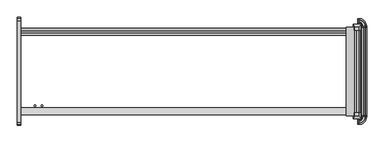
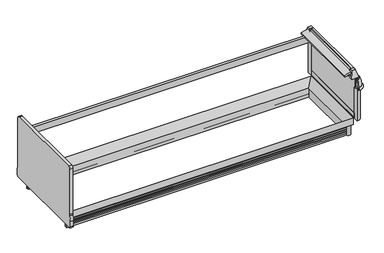
"""IFC4 building model written with IfcOpenShell, lengths in millimetres: proxy geometry."""

from ifc_helpers import new_model, si_unit, point, frame, frame_2d, origin, origin_with_axes, place, context, project, spatial, polyline, circle_curve, ellipse_curve, trimmed, segment, composite_curve, outline, extrude, faceted_brep, source, transform, mapped, element, save
from ifc_brep_helpers import plane_surface, cylinder_surface, revolved_surface, advanced_brep


def mechanical_equipment_eb84e4c2(model_context):
    return source(origin(), model_context, "Body", "SolidModel", [
        faceted_brep([(3666.4225341, -1407.9898987, 887.830185), (3666.4225341, -1369.8898987, 887.830185), (3615.6225341, -1369.8898987, 887.830185), (3615.6225341, -1407.9898987, 887.830185), (3692.7736504, -1434.8571273, 789.5616491), (3605.0530658, -1434.8571273, 789.5616491), (3605.0530658, -1361.5806673, 789.5616491), (3692.7736504, -1361.5806673, 789.5616491)], [[[0, 1, 2, 3]], [[4, 5, 6, 7]], [[5, 4, 0, 3]], [[6, 5, 3, 2]], [[7, 6, 2, 1]], [[4, 7, 1, 0]]]),
        advanced_brep(
        [(3736.2448888, -441.4213458, 685.0123617), (3734.5991151, -441.4213458, 652.3000491), (3736.2448888, -427.271097, 685.0123617), (3734.5991151, -427.271097, 652.3000491), (3672.2679207, -364.9399026, 652.3000491), (3672.2679207, -363.2941289, 685.0123617), (3657.6, -363.2941289, 685.0123617), (3657.6, -364.9399026, 652.3000491)],
        [
            (0, 1),
            (1, 0, circle_curve(frame((3734.876553, -441.4213458, 668.6836472), z_axis=(0.0, -1.0, 0.0), x_axis=(-1.0, 0.0, 0.0)), 16.385947)),
            (0, 2),
            (2, 3),
            (3, 1),
            (3, 2, circle_curve(frame((3734.876553, -427.271097, 668.6836472), z_axis=(0.0, -1.0, 0.0), x_axis=(-1.0, 0.0, 0.0)), 16.385947)),
            (4, 3, circle_curve(frame((3672.2679207, -427.271097, 652.3000491), z_axis=(0.0, 0.0, -1.0), x_axis=(1.0, 0.0, 0.0)), 62.3311944)),
            (2, 5, circle_curve(frame((3672.2679207, -427.271097, 685.0123617), z_axis=(0.0, 0.0, 1.0), x_axis=(1.0, 0.0, 0.0)), 63.9769681)),
            (5, 4),
            (4, 5, circle_curve(frame((3672.2679207, -364.6624647, 668.6836472), z_axis=(1.0, 0.0, 0.0), x_axis=(0.0, -1.0, 0.0)), 16.385947)),
            (6, 7, circle_curve(frame((3657.6, -364.6624647, 668.6836472), z_axis=(-1.0, 0.0, 0.0), x_axis=(0.0, -1.0, 0.0)), 16.385947)),
            (7, 6),
            (5, 6),
            (7, 4),
        ],
        [
            plane_surface(frame((3751.2625, -441.4213458, 0.0), z_axis=(0.0, -1.0, 0.0), x_axis=(0.0, 0.0, 1.0))),
            plane_surface(frame((3736.2448888, -441.4213458, 685.0123617), z_axis=(-0.9987368228727785, 0.0, 0.05024697640642828), x_axis=(0.0, 1.0, 0.0))),
            cylinder_surface(frame((3734.876553, -441.4213458, 668.6836472), z_axis=(0.0, -1.0, 0.0), x_axis=(-1.0, 0.0, 0.0)), 16.385947),
            revolved_surface(polyline([(3736.2448888, -427.271097, 685.0123617), (3734.5991151, -427.271097, 652.3000491)]), (3672.2679207, -427.271097, 0.0), (0.0, 0.0, 1.0)),
            revolved_surface(trimmed(ellipse_curve(frame((3734.876553, -427.271097, 668.6836472), z_axis=(0.0, -1.0, 0.0), x_axis=(-1.0, 0.0, 0.0)), 16.385947, 16.385947), [point((3734.5991151, -427.271097, 652.3000491))], [point((3736.2448888, -427.271097, 685.0123617))], True, "CARTESIAN"), (3672.2679207, -427.271097, 0.0), (0.0, 0.0, 1.0)),
            plane_surface(frame((3657.6, -348.2765176, 0.0), z_axis=(-1.0, 0.0, 0.0), x_axis=(0.0, 0.0, 1.0))),
            plane_surface(frame((3672.2679207, -363.2941289, 685.0123617), z_axis=(0.0, -0.9987368228727785, 0.05024697640642828), x_axis=(-1.0, 0.0, 0.0))),
            cylinder_surface(frame((3672.2679207, -364.6624647, 668.6836472), z_axis=(1.0, 0.0, 0.0), x_axis=(0.0, -1.0, 0.0)), 16.385947),
        ],
        [
            (0, [[1, 2]]),
            (1, [[-1, 3, 4, 5]]),
            (2, [[-2, -5, 6, -3]]),
            (3, [[7, -4, 8, 9]]),
            (4, [[-8, -6, -7, 10]]),
            (5, [[11, 12]]),
            (6, [[-9, 13, -12, 14]]),
            (7, [[-10, -14, -11, -13]]),
        ],
    ),
        extrude(outline(composite_curve([segment(polyline([(3657.6, -441.4213458), (3657.6, -380.4372292)]), True, "CONTINUOUS"), segment(trimmed(circle_curve(frame_2d((3657.6, -441.4213458)), 60.9841166), [point((3657.6, -380.4372292))], [point((3718.5841166, -441.4213458))], False, "CARTESIAN"), True, "CONTINUOUS"), segment(polyline([(3718.5841166, -441.4213458), (3657.6, -441.4213458)]), True, "CONTINUOUS")], self_intersect=False)), frame((0.0, 0.0, 226.1000374), z_axis=(0.0, 0.0, 1.0), x_axis=(1.0, 0.0, 0.0)), (0.0, 0.0, 1.0), 424.6252116),
        advanced_brep(
        [(3698.6624683, -441.4213458, 789.5616491), (3685.894269, -441.4213458, 789.5616491), (3697.5930904, -441.4213458, 752.5993877), (3697.5930904, -441.4213458, 650.7252491), (3733.0243151, -441.4213458, 650.7252491), (3734.5991151, -441.4213458, 652.3000491), (3736.2448888, -441.4213458, 685.0123617), (3713.0738542, -441.4213458, 780.3445453), (3698.6624683, -427.271097, 789.5616491), (3672.2679207, -400.8765493, 789.5616491), (3657.6, -400.8765493, 789.5616491), (3657.6, -413.6447486, 789.5616491), (3672.2679207, -413.6447486, 789.5616491), (3685.894269, -427.271097, 789.5616491), (3697.5930904, -427.271097, 752.5993877), (3697.5930904, -427.271097, 650.7252491), (3672.2679207, -401.9459272, 650.7252491), (3657.6, -401.9459272, 650.7252491), (3657.6, -366.5147026, 650.7252491), (3672.2679207, -366.5147026, 650.7252491), (3733.0243151, -427.271097, 650.7252491), (3734.5991151, -427.271097, 652.3000491), (3736.2448888, -427.271097, 685.0123617), (3713.0738542, -427.271097, 780.3445453), (3657.6, -386.4651634, 780.3445453), (3657.6, -363.2941289, 685.0123617), (3657.6, -364.9399026, 652.3000491), (3657.6, -401.9459272, 752.5993877), (3672.2679207, -401.9459272, 752.5993877), (3672.2679207, -364.9399026, 652.3000491), (3672.2679207, -363.2941289, 685.0123617), (3672.2679207, -386.4651634, 780.3445453)],
        [
            (0, 1),
            (1, 2),
            (2, 3),
            (3, 4),
            (4, 5),
            (5, 6),
            (6, 7, circle_curve(frame((3482.4916802, -441.4213458, 673.8182058), z_axis=(0.0, -1.0, 0.0), x_axis=(-1.0, 0.0, 0.0)), 254.0)),
            (7, 0, circle_curve(frame((3698.6624683, -441.4213458, 773.6866491), z_axis=(0.0, -1.0, 0.0), x_axis=(-1.0, 0.0, 0.0)), 15.875)),
            (0, 8),
            (8, 9, circle_curve(frame((3672.2679207, -427.271097, 789.5616491), z_axis=(0.0, 0.0, 1.0), x_axis=(1.0, 0.0, 0.0)), 26.3945477)),
            (9, 10),
            (10, 11),
            (11, 12),
            (12, 13, circle_curve(frame((3672.2679207, -427.271097, 789.5616491), z_axis=(0.0, 0.0, -1.0), x_axis=(1.0, 0.0, 0.0)), 13.6263483)),
            (13, 1),
            (13, 14),
            (14, 2),
            (14, 15),
            (15, 3),
            (15, 16, circle_curve(frame((3672.2679207, -427.271097, 650.7252491), z_axis=(0.0, 0.0, 1.0), x_axis=(1.0, 0.0, 0.0)), 25.3251698)),
            (16, 17),
            (17, 18),
            (18, 19),
            (19, 20, circle_curve(frame((3672.2679207, -427.271097, 650.7252491), z_axis=(0.0, 0.0, -1.0), x_axis=(1.0, 0.0, 0.0)), 60.7563944)),
            (20, 4),
            (20, 21),
            (21, 5),
            (21, 22),
            (22, 6),
            (22, 23, circle_curve(frame((3482.4916802, -427.271097, 673.8182058), z_axis=(0.0, -1.0, 0.0), x_axis=(-1.0, 0.0, 0.0)), 254.0)),
            (23, 7),
            (23, 8, circle_curve(frame((3698.6624683, -427.271097, 773.6866491), z_axis=(0.0, -1.0, 0.0), x_axis=(-1.0, 0.0, 0.0)), 15.875)),
            (10, 24, circle_curve(frame((3657.6, -400.8765493, 773.6866491), z_axis=(-1.0, 0.0, 0.0), x_axis=(0.0, -1.0, 0.0)), 15.875)),
            (24, 25, circle_curve(frame((3657.6, -617.0473375, 673.8182058), z_axis=(-1.0, 0.0, 0.0), x_axis=(0.0, -1.0, 0.0)), 254.0)),
            (25, 26),
            (26, 18),
            (17, 27),
            (27, 11),
            (28, 14, circle_curve(frame((3672.2679207, -427.271097, 752.5993877), z_axis=(0.0, 0.0, -1.0), x_axis=(1.0, 0.0, 0.0)), 25.3251698)),
            (12, 28),
            (28, 16),
            (29, 21, circle_curve(frame((3672.2679207, -427.271097, 652.3000491), z_axis=(0.0, 0.0, -1.0), x_axis=(1.0, 0.0, 0.0)), 62.3311944)),
            (19, 29),
            (30, 22, circle_curve(frame((3672.2679207, -427.271097, 685.0123617), z_axis=(0.0, 0.0, -1.0), x_axis=(1.0, 0.0, 0.0)), 63.9769681)),
            (29, 30),
            (31, 23, circle_curve(frame((3672.2679207, -427.271097, 780.3445453), z_axis=(0.0, 0.0, -1.0), x_axis=(1.0, 0.0, 0.0)), 40.8059336)),
            (30, 31, circle_curve(frame((3672.2679207, -617.0473375, 673.8182058), z_axis=(1.0, 0.0, 0.0), x_axis=(0.0, -1.0, 0.0)), 254.0)),
            (31, 9, circle_curve(frame((3672.2679207, -400.8765493, 773.6866491), z_axis=(1.0, 0.0, 0.0), x_axis=(0.0, -1.0, 0.0)), 15.875)),
            (27, 28),
            (26, 29),
            (25, 30),
            (24, 31),
        ],
        [
            plane_surface(frame((3751.2625, -441.4213458, 0.0), z_axis=(0.0, -1.0, 0.0), x_axis=(0.0, 0.0, 1.0))),
            plane_surface(frame((3698.6624683, -441.4213458, 789.5616491), z_axis=(0.0, 0.0, 1.0), x_axis=(0.0, 1.0, 0.0))),
            plane_surface(frame((3685.894269, -441.4213458, 789.5616491), z_axis=(-0.9533859746647335, 0.0, -0.3017535141677331), x_axis=(0.0, 1.0, 0.0))),
            plane_surface(frame((3697.5930904, -441.4213458, 752.5993877), z_axis=(-1.0, 0.0, 0.0), x_axis=(0.0, 1.0, 0.0))),
            plane_surface(frame((3719.1051151, -441.4213458, 650.7252491), z_axis=(0.0, 0.0, -1.0), x_axis=(0.0, 1.0, 0.0))),
            plane_surface(frame((3733.0243151, -441.4213458, 650.7252491), z_axis=(0.7071067811865779, 0.0, -0.7071067811865172), x_axis=(0.0, 1.0, 0.0))),
            plane_surface(frame((3734.5991151, -441.4213458, 652.3000491), z_axis=(0.9987368228727792, 0.0, -0.050246976406415636), x_axis=(0.0, 1.0, 0.0))),
            cylinder_surface(frame((3482.4916802, -441.4213458, 673.8182058), z_axis=(0.0, -1.0, 0.0), x_axis=(-1.0, 0.0, 0.0)), 254.0),
            cylinder_surface(frame((3698.6624683, -441.4213458, 773.6866491), z_axis=(0.0, -1.0, 0.0), x_axis=(-1.0, 0.0, 0.0)), 15.875),
            plane_surface(frame((3657.6, -348.2765176, 0.0), z_axis=(-1.0, 0.0, 0.0), x_axis=(0.0, 0.0, 1.0))),
            revolved_surface(polyline([(3685.894269, -427.271097, 789.5616491), (3697.5930904, -427.271097, 752.5993877)]), (3672.2679207, -427.271097, 0.0), (0.0, 0.0, 1.0)),
            revolved_surface(polyline([(3697.5930905, -427.271097, 752.5993877), (3697.5930905, -427.271097, 650.7252491)]), (3672.2679207, -427.271097, 0.0), (0.0, 0.0, 1.0)),
            revolved_surface(polyline([(3733.0243151, -427.271097, 650.7252491), (3734.5991151, -427.271097, 652.3000491)]), (3672.2679207, -427.271097, 0.0), (0.0, 0.0, 1.0)),
            revolved_surface(polyline([(3734.5991151, -427.271097, 652.3000491), (3736.2448888, -427.271097, 685.0123617)]), (3672.2679207, -427.271097, 0.0), (0.0, 0.0, 1.0)),
            revolved_surface(trimmed(ellipse_curve(frame((3482.4916802, -427.271097, 673.8182058), z_axis=(0.0, -1.0, 0.0), x_axis=(-1.0, 0.0, 0.0)), 254.0, 254.0), [point((3736.2448888, -427.271097, 685.0123617))], [point((3713.0738542, -427.271097, 780.3445453))], True, "CARTESIAN"), (3672.2679207, -427.271097, 0.0), (0.0, 0.0, 1.0)),
            revolved_surface(trimmed(ellipse_curve(frame((3698.6624683, -427.271097, 773.6866491), z_axis=(0.0, -1.0, 0.0), x_axis=(-1.0, 0.0, 0.0)), 15.875, 15.875), [point((3713.0738542, -427.271097, 780.3445453))], [point((3698.6624683, -427.271097, 789.5616491))], True, "CARTESIAN"), (3672.2679207, -427.271097, 0.0), (0.0, 0.0, 1.0)),
            plane_surface(frame((3672.2679207, -413.6447486, 789.5616491), z_axis=(0.0, -0.9533859746647335, -0.3017535141677331), x_axis=(-1.0, 0.0, 0.0))),
            plane_surface(frame((3672.2679207, -401.9459272, 752.5993877), z_axis=(0.0, -1.0, 0.0), x_axis=(-1.0, 0.0, 0.0))),
            plane_surface(frame((3672.2679207, -366.5147026, 650.7252491), z_axis=(0.0, 0.7071067811865779, -0.7071067811865172), x_axis=(-1.0, 0.0, 0.0))),
            plane_surface(frame((3672.2679207, -364.9399026, 652.3000491), z_axis=(0.0, 0.9987368228727792, -0.050246976406415636), x_axis=(-1.0, 0.0, 0.0))),
            cylinder_surface(frame((3672.2679207, -617.0473375, 673.8182058), z_axis=(1.0, 0.0, 0.0), x_axis=(0.0, -1.0, 0.0)), 254.0),
            cylinder_surface(frame((3672.2679207, -400.8765493, 773.6866491), z_axis=(1.0, 0.0, 0.0), x_axis=(0.0, -1.0, 0.0)), 15.875),
        ],
        [
            (0, [[1, 2, 3, 4, 5, 6, 7, 8]]),
            (1, [[-1, 9, 10, 11, 12, 13, 14, 15]]),
            (2, [[-2, -15, 16, 17]]),
            (3, [[-3, -17, 18, 19]]),
            (4, [[-19, 20, 21, 22, 23, 24, 25, -4]]),
            (5, [[-5, -25, 26, 27]]),
            (6, [[-6, -27, 28, 29]]),
            (7, [[-7, -29, 30, 31]]),
            (8, [[-8, -31, 32, -9]]),
            (9, [[33, 34, 35, 36, -22, 37, 38, -12]]),
            (10, [[39, -16, -14, 40]]),
            (11, [[-20, -18, -39, 41]]),
            (12, [[42, -26, -24, 43]]),
            (13, [[44, -28, -42, 45]]),
            (14, [[46, -30, -44, 47]]),
            (15, [[-10, -32, -46, 48]]),
            (16, [[-40, -13, -38, 49]]),
            (17, [[-41, -49, -37, -21]]),
            (18, [[-43, -23, -36, 50]]),
            (19, [[-45, -50, -35, 51]]),
            (20, [[-47, -51, -34, 52]]),
            (21, [[-48, -52, -33, -11]]),
        ],
    ),
        faceted_brep([(3666.4225341, -433.0243559, 887.830185), (3615.6225341, -433.0243559, 887.830185), (3615.6225341, -471.1243559, 887.830185), (3666.4225341, -471.1243559, 887.830185), (3692.7736504, -406.1571273, 789.5616491), (3692.7736504, -479.4335873, 789.5616491), (3605.0530658, -479.4335873, 789.5616491), (3605.0530658, -406.1571273, 789.5616491)], [[[0, 1, 2, 3]], [[4, 5, 6, 7]], [[4, 7, 1, 0]], [[7, 6, 2, 1]], [[6, 5, 3, 2]], [[5, 4, 0, 3]]]),
        extrude(outline(composite_curve([segment(trimmed(circle_curve(frame_2d((3605.5826477, -1346.327275)), 30.3864225), [point((3621.4253577, -1320.3976931))], [point((3579.6530658, -1362.169985))], False, "CARTESIAN"), True, "CONTINUOUS"), segment(polyline([(3579.6530658, -1362.169985), (3621.4253577, -1320.3976931)]), True, "CONTINUOUS")], self_intersect=False)), origin_with_axes(), (0.0, 0.0, 1.0), 134.9377392),
        extrude(outline(composite_curve([segment(polyline([(3621.4253577, -520.6165615), (3579.6530658, -478.8442696)]), True, "CONTINUOUS"), segment(trimmed(circle_curve(frame_2d((3605.5826477, -494.6869796)), 30.3864225), [point((3579.6530658, -478.8442696))], [point((3621.4253577, -520.6165615))], False, "CARTESIAN"), True, "CONTINUOUS")], self_intersect=False)), origin_with_axes(), (0.0, 0.0, 1.0), 134.9377392),
        faceted_brep([(0.0, -1315.4009706, 134.9377392), (0.0, -1391.2014814, 134.9377392), (0.0, -1391.2014814, 226.1000374), (3574.6563433, -1315.4009706, 134.9377392), (3574.6563433, -525.6132839, 134.9377392), (0.0, -525.6132839, 134.9377392), (0.0, -449.8127732, 134.9377392), (3650.4568541, -449.8127732, 134.9377392), (3650.4568541, -1391.2014814, 134.9377392), (3650.4568541, -1391.2014814, 226.1000374), (3650.4568541, -449.8127732, 226.1000374), (0.0, -449.8127732, 226.1000374)], [[[0, 1, 2]], [[1, 0, 3, 4, 5, 6, 7, 8]], [[2, 1, 8, 9]], [[0, 2, 9, 3]], [[9, 8, 7, 10]], [[3, 9, 10, 4]], [[5, 11, 6]], [[10, 7, 6, 11]], [[4, 10, 11, 5]]]),
        advanced_brep(
        [(0.0, -1362.169985, 0.0), (0.0, -1362.169985, 22.738034), (0.0, -1348.552182, 32.3453469), (0.0, -1345.063085, 43.510607), (0.0, -1355.7002802, 41.3527842), (0.0, -1357.6941802, 41.3527842), (0.0, -1357.6941802, 54.0527842), (0.0, -1348.552182, 63.31753), (0.0, -1345.063085, 74.4827901), (0.0, -1355.7002802, 72.3249673), (0.0, -1357.6941802, 72.3249673), (0.0, -1357.6941802, 85.0249673), (0.0, -1348.552182, 94.2897131), (0.0, -1345.063085, 105.3285212), (0.0, -1355.7002802, 103.2973373), (0.0, -1357.6941802, 103.2973373), (0.0, -1357.6941802, 115.9973373), (0.0, -1345.063085, 128.6971504), (0.0, -1345.063085, 134.9377392), (0.0, -1329.6202359, 134.9377392), (0.0, -1329.6202359, 0.0), (3621.4253577, -1362.169985, 0.0), (3621.4253577, -1362.169985, 22.738034), (3607.8075547, -1348.552182, 32.3453469), (3604.3184577, -1345.063085, 43.510607), (3614.9556529, -1355.7002802, 41.3527842), (3614.9556529, -485.3139744, 41.3527842), (0.0, -485.3139744, 41.3527842), (0.0, -483.3200744, 41.3527842), (3616.9495529, -483.3200744, 41.3527842), (3616.9495529, -1357.6941802, 41.3527842), (3616.9495529, -1357.6941802, 54.0527842), (3607.8075547, -1348.552182, 63.31753), (3604.3184577, -1345.063085, 74.4827901), (3614.9556529, -1355.7002802, 72.3249673), (3614.9556529, -485.3139744, 72.3249673), (0.0, -485.3139744, 72.3249673), (0.0, -483.3200744, 72.3249673), (3616.9495529, -483.3200744, 72.3249673), (3616.9495529, -1357.6941802, 72.3249673), (3616.9495529, -1357.6941802, 85.0249673), (3607.8075547, -1348.552182, 94.2897131), (3604.3184577, -1345.063085, 105.3285212), (3614.9556529, -1355.7002802, 103.2973373), (3614.9556529, -485.3139744, 103.2973373), (0.0, -485.3139744, 103.2973373), (0.0, -483.3200744, 103.2973373), (3616.9495529, -483.3200744, 103.2973373), (3616.9495529, -1357.6941802, 103.2973373), (3616.9495529, -1357.6941802, 115.9973373), (3604.3184577, -1345.063085, 128.6971504), (3604.3184577, -1345.063085, 134.9377392), (3604.3184577, -495.9511696, 134.9377392), (0.0, -495.9511696, 134.9377392), (0.0, -511.3940187, 134.9377392), (3588.8756086, -511.3940187, 134.9377392), (3588.8756086, -1329.6202359, 134.9377392), (3588.8756086, -1329.6202359, 0.0), (3588.8756086, -511.3940187, 0.0), (0.0, -511.3940187, 0.0), (0.0, -478.8442696, 0.0), (3621.4253577, -478.8442696, 0.0), (3621.4253577, -478.8442696, 22.738034), (3607.8075547, -492.4620726, 32.3453469), (3604.3184577, -495.9511696, 43.510607), (3616.9495529, -483.3200744, 54.0527842), (3607.8075547, -492.4620726, 63.31753), (3604.3184577, -495.9511696, 74.4827901), (3616.9495529, -483.3200744, 85.0249673), (3607.8075547, -492.4620726, 94.2897131), (3604.3184577, -495.9511696, 105.3285212), (3616.9495529, -483.3200744, 115.9973373), (3604.3184577, -495.9511696, 128.6971504), (0.0, -495.9511696, 128.6971504), (0.0, -483.3200744, 115.9973373), (0.0, -495.9511696, 105.3285212), (0.0, -492.4620726, 94.2897131), (0.0, -483.3200744, 85.0249673), (0.0, -495.9511696, 74.4827901), (0.0, -492.4620726, 63.31753), (0.0, -483.3200744, 54.0527842), (0.0, -495.9511696, 43.510607), (0.0, -492.4620726, 32.3453469), (0.0, -478.8442696, 22.738034)],
        [
            (0, 1),
            (1, 2, circle_curve(frame((0.0, -1361.6341614, 36.4334108), z_axis=(1.0, 0.0, 0.0), x_axis=(0.0, 1.0, 0.0)), 13.7058546)),
            (2, 3),
            (3, 4),
            (4, 5),
            (5, 6),
            (6, 7, circle_curve(frame((0.0, -1362.112048, 67.5549314), z_axis=(1.0, 0.0, 0.0), x_axis=(0.0, 1.0, 0.0)), 14.2065314)),
            (7, 8),
            (8, 9),
            (9, 10),
            (10, 11),
            (11, 12, circle_curve(frame((0.0, -1362.1844233, 98.598531), z_axis=(1.0, 0.0, 0.0), x_axis=(0.0, 1.0, 0.0)), 14.2969897)),
            (12, 13),
            (13, 14),
            (14, 15),
            (15, 16),
            (16, 17, circle_curve(frame((0.0, -1357.763085, 128.6971504), z_axis=(1.0, 0.0, 0.0), x_axis=(0.0, 1.0, 0.0)), 12.7)),
            (17, 18),
            (18, 19),
            (19, 20),
            (20, 0),
            (0, 21),
            (21, 22),
            (22, 1),
            (22, 23, ellipse_curve(frame((3620.8895341, -1361.6341614, 36.4334108), z_axis=(0.7071067811865475, 0.7071067811865475, 0.0), x_axis=(0.7071067811865476, -0.7071067811865474, 0.0)), 19.3830055, 13.7058546)),
            (23, 2),
            (23, 24),
            (24, 3),
            (24, 25),
            (25, 4),
            (25, 26),
            (26, 27),
            (27, 28),
            (28, 29),
            (29, 30),
            (30, 5),
            (30, 31),
            (31, 6),
            (31, 32, ellipse_curve(frame((3621.3674207, -1362.112048, 67.5549314), z_axis=(0.7071067811865475, 0.7071067811865475, 0.0), x_axis=(0.7071067811865476, -0.7071067811865474, 0.0)), 20.0910694, 14.2065314)),
            (32, 7),
            (32, 33),
            (33, 8),
            (33, 34),
            (34, 9),
            (34, 35),
            (35, 36),
            (36, 37),
            (37, 38),
            (38, 39),
            (39, 10),
            (39, 40),
            (40, 11),
            (40, 41, ellipse_curve(frame((3621.439796, -1362.1844233, 98.598531), z_axis=(0.7071067811865475, 0.7071067811865475, 0.0), x_axis=(0.7071067811865476, -0.7071067811865474, 0.0)), 20.2189967, 14.2969897)),
            (41, 12),
            (41, 42),
            (42, 13),
            (42, 43),
            (43, 14),
            (43, 44),
            (44, 45),
            (45, 46),
            (46, 47),
            (47, 48),
            (48, 15),
            (48, 49),
            (49, 16),
            (49, 50, ellipse_curve(frame((3617.0184577, -1357.763085, 128.6971504), z_axis=(0.7071067811865475, 0.7071067811865475, 0.0), x_axis=(0.7071067811865476, -0.7071067811865474, 0.0)), 17.9605122, 12.7)),
            (50, 17),
            (50, 51),
            (51, 18),
            (51, 52),
            (52, 53),
            (53, 54),
            (54, 55),
            (55, 56),
            (56, 19),
            (56, 57),
            (57, 20),
            (57, 58),
            (58, 59),
            (59, 60),
            (60, 61),
            (61, 21),
            (61, 62),
            (62, 22),
            (62, 63, ellipse_curve(frame((3620.8895341, -479.3800932, 36.4334108), z_axis=(-0.7071067811865475, 0.7071067811865475, 0.0), x_axis=(0.7071067811865474, 0.7071067811865476, 0.0)), 19.3830055, 13.7058546)),
            (63, 23),
            (63, 64),
            (64, 24),
            (64, 26),
            (29, 65),
            (65, 31),
            (65, 66, ellipse_curve(frame((3621.3674207, -478.9022066, 67.5549314), z_axis=(-0.7071067811865475, 0.7071067811865475, 0.0), x_axis=(0.7071067811865474, 0.7071067811865476, 0.0)), 20.0910694, 14.2065314)),
            (66, 32),
            (66, 67),
            (67, 33),
            (67, 35),
            (38, 68),
            (68, 40),
            (68, 69, ellipse_curve(frame((3621.439796, -478.8298313, 98.598531), z_axis=(-0.7071067811865475, 0.7071067811865475, 0.0), x_axis=(0.7071067811865474, 0.7071067811865476, 0.0)), 20.2189967, 14.2969897)),
            (69, 41),
            (69, 70),
            (70, 42),
            (70, 44),
            (47, 71),
            (71, 49),
            (71, 72, ellipse_curve(frame((3617.0184577, -483.2511696, 128.6971504), z_axis=(-0.7071067811865475, 0.7071067811865475, 0.0), x_axis=(0.7071067811865474, 0.7071067811865476, 0.0)), 17.9605122, 12.7)),
            (72, 50),
            (72, 52),
            (55, 58),
            (59, 54),
            (53, 73),
            (73, 74, circle_curve(frame((0.0, -483.2511696, 128.6971504), z_axis=(1.0, 0.0, 0.0), x_axis=(0.0, -1.0, 0.0)), 12.7)),
            (74, 46),
            (45, 75),
            (75, 76),
            (76, 77, circle_curve(frame((0.0, -478.8298313, 98.598531), z_axis=(1.0, 0.0, 0.0), x_axis=(0.0, -1.0, 0.0)), 14.2969897)),
            (77, 37),
            (36, 78),
            (78, 79),
            (79, 80, circle_curve(frame((0.0, -478.9022066, 67.5549314), z_axis=(1.0, 0.0, 0.0), x_axis=(0.0, -1.0, 0.0)), 14.2065314)),
            (80, 28),
            (27, 81),
            (81, 82),
            (82, 83, circle_curve(frame((0.0, -479.3800932, 36.4334108), z_axis=(1.0, 0.0, 0.0), x_axis=(0.0, -1.0, 0.0)), 13.7058546)),
            (83, 60),
            (83, 62),
            (82, 63),
            (81, 64),
            (80, 65),
            (79, 66),
            (78, 67),
            (77, 68),
            (76, 69),
            (75, 70),
            (74, 71),
            (73, 72),
        ],
        [
            plane_surface(frame((0.0, -1492.0071273, 0.0), z_axis=(-1.0, 0.0, 0.0), x_axis=(0.0, 0.0, 1.0))),
            plane_surface(frame((0.0, -1362.169985, 0.0), z_axis=(0.0, -1.0, 0.0), x_axis=(1.0, 0.0, 0.0))),
            revolved_surface(polyline([(3634.5953887288265, -1347.9283068, 36.4334108), (0.0, -1347.9283068, 36.4334108)]), (0.0, -1361.6341614, 36.4334108), (1.0, 0.0, 0.0)),
            plane_surface(frame((0.0, -1348.552182, 32.3453469), z_axis=(0.0, -0.9544811145040085, 0.29827135641087943), x_axis=(1.0, 0.0, 0.0))),
            plane_surface(frame((0.0, -1345.063085, 43.510607), z_axis=(0.0, 0.19880707887695687, -0.9800386448443814), x_axis=(1.0, 0.0, 0.0))),
            plane_surface(frame((0.0, -1355.7002802, 41.3527842), z_axis=(0.0, 0.0, -1.0), x_axis=(1.0, 0.0, 0.0))),
            plane_surface(frame((0.0, -1357.6941802, 41.3527842), z_axis=(0.0, -1.0, 0.0), x_axis=(1.0, 0.0, 0.0))),
            revolved_surface(polyline([(3635.5739521140295, -1347.9055166, 67.5549314), (0.0, -1347.9055166, 67.5549314)]), (0.0, -1362.112048, 67.5549314), (1.0, 0.0, 0.0)),
            plane_surface(frame((0.0, -1348.552182, 63.31753), z_axis=(0.0, -0.9544811145040126, 0.2982713564108663), x_axis=(1.0, 0.0, 0.0))),
            plane_surface(frame((0.0, -1345.063085, 74.4827901), z_axis=(0.0, 0.19880707887702875, -0.9800386448443668), x_axis=(1.0, 0.0, 0.0))),
            plane_surface(frame((0.0, -1355.7002802, 72.3249673), z_axis=(0.0, 0.0, -1.0), x_axis=(1.0, 0.0, 0.0))),
            plane_surface(frame((0.0, -1357.6941802, 72.3249673), z_axis=(0.0, -1.0, 0.0), x_axis=(1.0, 0.0, 0.0))),
            revolved_surface(polyline([(3635.7367856753585, -1347.8874336, 98.598531), (0.0, -1347.8874336, 98.598531)]), (0.0, -1362.1844233, 98.598531), (1.0, 0.0, 0.0)),
            plane_surface(frame((0.0, -1348.552182, 94.2897131), z_axis=(0.0, -0.9535043111328473, 0.3013793766186971), x_axis=(1.0, 0.0, 0.0))),
            plane_surface(frame((0.0, -1345.063085, 105.3285212), z_axis=(0.0, 0.18756221551803512, -0.982252724765865), x_axis=(1.0, 0.0, 0.0))),
            plane_surface(frame((0.0, -1355.7002802, 103.2973373), z_axis=(0.0, 0.0, -1.0), x_axis=(1.0, 0.0, 0.0))),
            plane_surface(frame((0.0, -1357.6941802, 103.2973373), z_axis=(0.0, -1.0, 0.0), x_axis=(1.0, 0.0, 0.0))),
            revolved_surface(polyline([(3629.718457670204, -1345.063085, 128.6971504), (0.0, -1345.063085, 128.6971504)]), (0.0, -1357.763085, 128.6971504), (1.0, 0.0, 0.0)),
            plane_surface(frame((0.0, -1345.063085, 128.6971504), z_axis=(0.0, -1.0, 0.0), x_axis=(1.0, 0.0, 0.0))),
            plane_surface(frame((0.0, -1345.063085, 134.9377392), z_axis=(0.0, 0.0, 1.0), x_axis=(1.0, 0.0, 0.0))),
            plane_surface(frame((0.0, -1329.6202359, 134.9377392), z_axis=(0.0, 1.0, 0.0), x_axis=(1.0, 0.0, 0.0))),
            plane_surface(frame((0.0, -1329.6202359, 0.0), z_axis=(0.0, 0.0, -1.0), x_axis=(1.0, 0.0, 0.0))),
            plane_surface(frame((3621.4253577, -1362.169985, 0.0), z_axis=(1.0, 0.0, 0.0), x_axis=(0.0, 1.0, 0.0))),
            revolved_surface(polyline([(3607.1836795000004, -465.6742385711739, 36.4334108), (3607.1836795000004, -1375.340016028826, 36.4334108)]), (3620.8895341, -1492.0071273, 36.4334108), (0.0, 1.0, 0.0)),
            plane_surface(frame((3607.8075547, -1348.552182, 32.3453469), z_axis=(0.9544811145040085, 0.0, 0.29827135641087943), x_axis=(0.0, 1.0, 0.0))),
            plane_surface(frame((3604.3184577, -1345.063085, 43.510607), z_axis=(-0.19880707887695687, 0.0, -0.9800386448443814), x_axis=(0.0, 1.0, 0.0))),
            plane_surface(frame((3616.9495529, -1357.6941802, 41.3527842), z_axis=(1.0, 0.0, 0.0), x_axis=(0.0, 1.0, 0.0))),
            revolved_surface(polyline([(3607.1608893, -464.69567518597046, 67.5549314), (3607.1608893, -1376.3185794140295, 67.5549314)]), (3621.3674207, -1492.0071273, 67.5549314), (0.0, 1.0, 0.0)),
            plane_surface(frame((3607.8075547, -1348.552182, 63.31753), z_axis=(0.9544811145040126, 0.0, 0.2982713564108663), x_axis=(0.0, 1.0, 0.0))),
            plane_surface(frame((3604.3184577, -1345.063085, 74.4827901), z_axis=(-0.19880707887702875, 0.0, -0.9800386448443668), x_axis=(0.0, 1.0, 0.0))),
            plane_surface(frame((3616.9495529, -1357.6941802, 72.3249673), z_axis=(1.0, 0.0, 0.0), x_axis=(0.0, 1.0, 0.0))),
            revolved_surface(polyline([(3607.1428063000003, -464.5328416246416, 98.598531), (3607.1428063000003, -1376.4814129753584, 98.598531)]), (3621.439796, -1492.0071273, 98.598531), (0.0, 1.0, 0.0)),
            plane_surface(frame((3607.8075547, -1348.552182, 94.2897131), z_axis=(0.9535043111328473, 0.0, 0.3013793766186971), x_axis=(0.0, 1.0, 0.0))),
            plane_surface(frame((3604.3184577, -1345.063085, 105.3285212), z_axis=(-0.18756221551803512, 0.0, -0.982252724765865), x_axis=(0.0, 1.0, 0.0))),
            plane_surface(frame((3616.9495529, -1357.6941802, 103.2973373), z_axis=(1.0, 0.0, 0.0), x_axis=(0.0, 1.0, 0.0))),
            revolved_surface(polyline([(3604.3184577, -470.5511696297963, 128.6971504), (3604.3184577, -1370.4630849702037, 128.6971504)]), (3617.0184577, -1492.0071273, 128.6971504), (0.0, 1.0, 0.0)),
            plane_surface(frame((3604.3184577, -1345.063085, 128.6971504), z_axis=(1.0, 0.0, 0.0), x_axis=(0.0, 1.0, 0.0))),
            plane_surface(frame((3588.8756086, -1329.6202359, 134.9377392), z_axis=(-1.0, 0.0, 0.0), x_axis=(0.0, 1.0, 0.0))),
            plane_surface(frame((0.0, -349.0071273, 0.0), z_axis=(-1.0, 0.0, 0.0), x_axis=(0.0, 0.0, 1.0))),
            plane_surface(frame((3621.4253577, -478.8442696, 0.0), z_axis=(0.0, 1.0, 0.0), x_axis=(-1.0, 0.0, 0.0))),
            revolved_surface(polyline([(0.0, -493.0859478, 36.4334108), (3634.5953887288265, -493.0859478, 36.4334108)]), (3751.2625, -479.3800932, 36.4334108), (-1.0, 0.0, 0.0)),
            plane_surface(frame((3607.8075547, -492.4620726, 32.3453469), z_axis=(0.0, 0.9544811145040085, 0.29827135641087943), x_axis=(-1.0, 0.0, 0.0))),
            plane_surface(frame((3604.3184577, -495.9511696, 43.510607), z_axis=(0.0, -0.19880707887695687, -0.9800386448443814), x_axis=(-1.0, 0.0, 0.0))),
            plane_surface(frame((3616.9495529, -483.3200744, 41.3527842), z_axis=(0.0, 1.0, 0.0), x_axis=(-1.0, 0.0, 0.0))),
            revolved_surface(polyline([(0.0, -493.108738, 67.5549314), (3635.5739521140295, -493.108738, 67.5549314)]), (3751.2625, -478.9022066, 67.5549314), (-1.0, 0.0, 0.0)),
            plane_surface(frame((3607.8075547, -492.4620726, 63.31753), z_axis=(0.0, 0.9544811145040126, 0.2982713564108663), x_axis=(-1.0, 0.0, 0.0))),
            plane_surface(frame((3604.3184577, -495.9511696, 74.4827901), z_axis=(0.0, -0.19880707887702875, -0.9800386448443668), x_axis=(-1.0, 0.0, 0.0))),
            plane_surface(frame((3616.9495529, -483.3200744, 72.3249673), z_axis=(0.0, 1.0, 0.0), x_axis=(-1.0, 0.0, 0.0))),
            revolved_surface(polyline([(0.0, -493.126821, 98.598531), (3635.7367856753585, -493.126821, 98.598531)]), (3751.2625, -478.8298313, 98.598531), (-1.0, 0.0, 0.0)),
            plane_surface(frame((3607.8075547, -492.4620726, 94.2897131), z_axis=(0.0, 0.9535043111328473, 0.3013793766186971), x_axis=(-1.0, 0.0, 0.0))),
            plane_surface(frame((3604.3184577, -495.9511696, 105.3285212), z_axis=(0.0, -0.18756221551803512, -0.982252724765865), x_axis=(-1.0, 0.0, 0.0))),
            plane_surface(frame((3616.9495529, -483.3200744, 103.2973373), z_axis=(0.0, 1.0, 0.0), x_axis=(-1.0, 0.0, 0.0))),
            revolved_surface(polyline([(0.0, -495.9511696, 128.6971504), (3629.718457670204, -495.9511696, 128.6971504)]), (3751.2625, -483.2511696, 128.6971504), (-1.0, 0.0, 0.0)),
            plane_surface(frame((3604.3184577, -495.9511696, 128.6971504), z_axis=(0.0, 1.0, 0.0), x_axis=(-1.0, 0.0, 0.0))),
            plane_surface(frame((3588.8756086, -511.3940187, 134.9377392), z_axis=(0.0, -1.0, 0.0), x_axis=(-1.0, 0.0, 0.0))),
        ],
        [
            (0, [[1, 2, 3, 4, 5, 6, 7, 8, 9, 10, 11, 12, 13, 14, 15, 16, 17, 18, 19, 20, 21]]),
            (1, [[-1, 22, 23, 24]]),
            (2, [[-2, -24, 25, 26]]),
            (3, [[-3, -26, 27, 28]]),
            (4, [[-4, -28, 29, 30]]),
            (5, [[-5, -30, 31, 32, 33, 34, 35, 36]]),
            (6, [[-6, -36, 37, 38]]),
            (7, [[-7, -38, 39, 40]]),
            (8, [[-8, -40, 41, 42]]),
            (9, [[-9, -42, 43, 44]]),
            (10, [[-10, -44, 45, 46, 47, 48, 49, 50]]),
            (11, [[-11, -50, 51, 52]]),
            (12, [[-12, -52, 53, 54]]),
            (13, [[-13, -54, 55, 56]]),
            (14, [[-14, -56, 57, 58]]),
            (15, [[-15, -58, 59, 60, 61, 62, 63, 64]]),
            (16, [[-16, -64, 65, 66]]),
            (17, [[-17, -66, 67, 68]]),
            (18, [[-18, -68, 69, 70]]),
            (19, [[-19, -70, 71, 72, 73, 74, 75, 76]]),
            (20, [[-20, -76, 77, 78]]),
            (21, [[-21, -78, 79, 80, 81, 82, 83, -22]]),
            (22, [[-23, -83, 84, 85]]),
            (23, [[-25, -85, 86, 87]]),
            (24, [[-27, -87, 88, 89]]),
            (25, [[-29, -89, 90, -31]]),
            (26, [[-37, -35, 91, 92]]),
            (27, [[-39, -92, 93, 94]]),
            (28, [[-41, -94, 95, 96]]),
            (29, [[-43, -96, 97, -45]]),
            (30, [[-51, -49, 98, 99]]),
            (31, [[-53, -99, 100, 101]]),
            (32, [[-55, -101, 102, 103]]),
            (33, [[-57, -103, 104, -59]]),
            (34, [[-65, -63, 105, 106]]),
            (35, [[-67, -106, 107, 108]]),
            (36, [[-69, -108, 109, -71]]),
            (37, [[-77, -75, 110, -79]]),
            (38, [[-81, 111, -73, 112, 113, 114, -61, 115, 116, 117, 118, -47, 119, 120, 121, 122, -33, 123, 124, 125, 126]]),
            (39, [[-84, -82, -126, 127]]),
            (40, [[-86, -127, -125, 128]]),
            (41, [[-88, -128, -124, 129]]),
            (42, [[-90, -129, -123, -32]]),
            (43, [[-91, -34, -122, 130]]),
            (44, [[-93, -130, -121, 131]]),
            (45, [[-95, -131, -120, 132]]),
            (46, [[-97, -132, -119, -46]]),
            (47, [[-98, -48, -118, 133]]),
            (48, [[-100, -133, -117, 134]]),
            (49, [[-102, -134, -116, 135]]),
            (50, [[-104, -135, -115, -60]]),
            (51, [[-105, -62, -114, 136]]),
            (52, [[-107, -136, -113, 137]]),
            (53, [[-109, -137, -112, -72]]),
            (54, [[-110, -74, -111, -80]]),
        ],
    ),
        advanced_brep(
        [(3736.2448888, -1399.5929088, 685.0123617), (3734.5991151, -1399.5929088, 652.3000491), (3734.5991151, -1413.7431576, 652.3000491), (3736.2448888, -1413.7431576, 685.0123617), (3672.2679207, -1477.7201257, 685.0123617), (3672.2679207, -1476.074352, 652.3000491), (3657.6, -1477.7201257, 685.0123617), (3657.6, -1476.074352, 652.3000491)],
        [
            (0, 1, circle_curve(frame((3734.876553, -1399.5929088, 668.6836472), z_axis=(0.0, 1.0, 0.0), x_axis=(1.0, 0.0, 0.0)), 16.385947)),
            (1, 0),
            (1, 2),
            (2, 3),
            (3, 0),
            (3, 2, circle_curve(frame((3734.876553, -1413.7431576, 668.6836472), z_axis=(0.0, 1.0, 0.0), x_axis=(1.0, 0.0, 0.0)), 16.385947)),
            (4, 3, circle_curve(frame((3672.2679207, -1413.7431576, 685.0123617), z_axis=(0.0, 0.0, 1.0), x_axis=(1.0, 0.0, 0.0)), 63.9769681)),
            (2, 5, circle_curve(frame((3672.2679207, -1413.7431576, 652.3000491), z_axis=(0.0, 0.0, -1.0), x_axis=(1.0, 0.0, 0.0)), 62.3311944)),
            (5, 4),
            (4, 5, circle_curve(frame((3672.2679207, -1476.3517899, 668.6836472), z_axis=(1.0, 0.0, 0.0), x_axis=(0.0, -1.0, 0.0)), 16.385947)),
            (6, 7),
            (7, 6, circle_curve(frame((3657.6, -1476.3517899, 668.6836472), z_axis=(-1.0, 0.0, 0.0), x_axis=(0.0, -1.0, 0.0)), 16.385947)),
            (5, 7),
            (6, 4),
        ],
        [
            plane_surface(frame((3751.2625, -1399.5929088, 0.0), z_axis=(0.0, 1.0, 0.0), x_axis=(0.0, 0.0, 1.0))),
            plane_surface(frame((3734.5991151, -1399.5929088, 652.3000491), z_axis=(-0.9987368228727785, 0.0, 0.05024697640642828), x_axis=(0.0, -1.0, 0.0))),
            cylinder_surface(frame((3734.876553, -1399.5929088, 668.6836472), z_axis=(0.0, 1.0, 0.0), x_axis=(1.0, 0.0, 0.0)), 16.385947),
            revolved_surface(polyline([(3734.5991151, -1413.7431576, 652.3000491), (3736.2448888, -1413.7431576, 685.0123617)]), (3672.2679207, -1413.7431576, 0.0), (0.0, 0.0, -1.0)),
            revolved_surface(trimmed(ellipse_curve(frame((3734.876553, -1413.7431576, 668.6836472), z_axis=(0.0, 1.0, 0.0), x_axis=(1.0, 0.0, 0.0)), 16.385947, 16.385947), [point((3736.2448888, -1413.7431576, 685.0123617))], [point((3734.5991151, -1413.7431576, 652.3000491))], True, "CARTESIAN"), (3672.2679207, -1413.7431576, 0.0), (0.0, 0.0, -1.0)),
            plane_surface(frame((3657.6, -1492.737737, 0.0), z_axis=(-1.0, 0.0, 0.0), x_axis=(0.0, 0.0, 1.0))),
            plane_surface(frame((3672.2679207, -1476.074352, 652.3000491), z_axis=(0.0, 0.9987368228727785, 0.05024697640642828), x_axis=(-1.0, 0.0, 0.0))),
            cylinder_surface(frame((3672.2679207, -1476.3517899, 668.6836472), z_axis=(1.0, 0.0, 0.0), x_axis=(0.0, -1.0, 0.0)), 16.385947),
        ],
        [
            (0, [[1, 2]]),
            (1, [[-2, 3, 4, 5]]),
            (2, [[-1, -5, 6, -3]]),
            (3, [[7, -4, 8, 9]]),
            (4, [[-8, -6, -7, 10]]),
            (5, [[11, 12]]),
            (6, [[-9, 13, -11, 14]]),
            (7, [[-10, -14, -12, -13]]),
        ],
    ),
        extrude(outline(composite_curve([segment(polyline([(3657.6, -1399.5929088), (3719.1003787, -1399.5929088)]), True, "CONTINUOUS"), segment(trimmed(circle_curve(frame_2d((3663.8261195, -1404.3162274)), 55.4757016), [point((3719.1003787, -1399.5929088))], [point((3657.6, -1459.4414385))], False, "CARTESIAN"), True, "CONTINUOUS"), segment(polyline([(3657.6, -1459.4414385), (3657.6, -1399.5929088)]), True, "CONTINUOUS")], self_intersect=False)), frame((0.0, 0.0, 226.1000374), z_axis=(0.0, 0.0, 1.0), x_axis=(1.0, 0.0, 0.0)), (0.0, 0.0, 1.0), 424.6252116),
        advanced_brep(
        [(3698.6624683, -1399.5929088, 789.5616491), (3713.0738542, -1399.5929088, 780.3445453), (3736.2448888, -1399.5929088, 685.0123617), (3734.585946, -1399.5929088, 652.3000491), (3733.011146, -1399.5929088, 650.7252491), (3697.5799213, -1399.5929088, 650.7252491), (3697.5799213, -1399.5929088, 752.5993877), (3685.894269, -1399.5929088, 789.5616491), (3685.894269, -1413.7431576, 789.5616491), (3672.2679207, -1427.369506, 789.5616491), (3657.6, -1427.369506, 789.5616491), (3657.6, -1440.1377053, 789.5616491), (3672.2679207, -1440.1377053, 789.5616491), (3698.6624683, -1413.7431576, 789.5616491), (3697.5799213, -1413.7431576, 752.5993877), (3697.5799213, -1413.7431576, 650.7252491), (3733.011146, -1413.7431576, 650.7252491), (3672.2679207, -1474.4863829, 650.7252491), (3657.6, -1474.4863829, 650.7252491), (3657.6, -1439.0551583, 650.7252491), (3672.2679207, -1439.0551583, 650.7252491), (3734.585946, -1413.7431576, 652.3000491), (3736.2448888, -1413.7431576, 685.0123617), (3713.0738542, -1413.7431576, 780.3445453), (3657.6, -1439.0551583, 752.5993877), (3657.6, -1476.0611829, 652.3000491), (3657.6, -1477.7201257, 685.0123617), (3657.6, -1454.5490912, 780.3445453), (3672.2679207, -1439.0551583, 752.5993877), (3672.2679207, -1476.0611829, 652.3000491), (3672.2679207, -1477.7201257, 685.0123617), (3672.2679207, -1454.5490912, 780.3445453)],
        [
            (0, 1, circle_curve(frame((3698.6624683, -1399.5929088, 773.6866491), z_axis=(0.0, 1.0, 0.0), x_axis=(1.0, 0.0, 0.0)), 15.875)),
            (1, 2, circle_curve(frame((3482.4916802, -1399.5929088, 673.8182058), z_axis=(0.0, 1.0, 0.0), x_axis=(1.0, 0.0, 0.0)), 254.0)),
            (2, 3),
            (3, 4),
            (4, 5),
            (5, 6),
            (6, 7),
            (7, 0),
            (7, 8),
            (8, 9, circle_curve(frame((3672.2679207, -1413.7431576, 789.5616491), z_axis=(0.0, 0.0, -1.0), x_axis=(1.0, 0.0, 0.0)), 13.6263483)),
            (9, 10),
            (10, 11),
            (11, 12),
            (12, 13, circle_curve(frame((3672.2679207, -1413.7431576, 789.5616491), z_axis=(0.0, 0.0, 1.0), x_axis=(1.0, 0.0, 0.0)), 26.3945477)),
            (13, 0),
            (6, 14),
            (14, 8),
            (5, 15),
            (15, 14),
            (4, 16),
            (16, 17, circle_curve(frame((3672.2679207, -1413.7431576, 650.7252491), z_axis=(0.0, 0.0, -1.0), x_axis=(1.0, 0.0, 0.0)), 60.7432253)),
            (17, 18),
            (18, 19),
            (19, 20),
            (20, 15, circle_curve(frame((3672.2679207, -1413.7431576, 650.7252491), z_axis=(0.0, 0.0, 1.0), x_axis=(1.0, 0.0, 0.0)), 25.3120007)),
            (3, 21),
            (21, 16),
            (2, 22),
            (22, 21),
            (1, 23),
            (23, 22, circle_curve(frame((3482.4916802, -1413.7431576, 673.8182058), z_axis=(0.0, 1.0, 0.0), x_axis=(1.0, 0.0, 0.0)), 254.0)),
            (13, 23, circle_curve(frame((3698.6624683, -1413.7431576, 773.6866491), z_axis=(0.0, 1.0, 0.0), x_axis=(1.0, 0.0, 0.0)), 15.875)),
            (10, 24),
            (24, 19),
            (18, 25),
            (25, 26),
            (26, 27, circle_curve(frame((3657.6, -1223.9669171, 673.8182058), z_axis=(-1.0, 0.0, 0.0), x_axis=(0.0, -1.0, 0.0)), 254.0)),
            (27, 11, circle_curve(frame((3657.6, -1440.1377053, 773.6866491), z_axis=(-1.0, 0.0, 0.0), x_axis=(0.0, -1.0, 0.0)), 15.875)),
            (14, 28, circle_curve(frame((3672.2679207, -1413.7431576, 752.5993877), z_axis=(0.0, 0.0, -1.0), x_axis=(1.0, 0.0, 0.0)), 25.3120007)),
            (28, 9),
            (20, 28),
            (21, 29, circle_curve(frame((3672.2679207, -1413.7431576, 652.3000491), z_axis=(0.0, 0.0, -1.0), x_axis=(1.0, 0.0, 0.0)), 62.3180253)),
            (29, 17),
            (22, 30, circle_curve(frame((3672.2679207, -1413.7431576, 685.0123617), z_axis=(0.0, 0.0, -1.0), x_axis=(1.0, 0.0, 0.0)), 63.9769681)),
            (30, 29),
            (23, 31, circle_curve(frame((3672.2679207, -1413.7431576, 780.3445453), z_axis=(0.0, 0.0, -1.0), x_axis=(1.0, 0.0, 0.0)), 40.8059336)),
            (31, 30, circle_curve(frame((3672.2679207, -1223.9669171, 673.8182058), z_axis=(1.0, 0.0, 0.0), x_axis=(0.0, -1.0, 0.0)), 254.0)),
            (12, 31, circle_curve(frame((3672.2679207, -1440.1377053, 773.6866491), z_axis=(1.0, 0.0, 0.0), x_axis=(0.0, -1.0, 0.0)), 15.875)),
            (28, 24),
            (29, 25),
            (30, 26),
            (31, 27),
        ],
        [
            plane_surface(frame((3751.2625, -1399.5929088, 0.0), z_axis=(0.0, 1.0, 0.0), x_axis=(0.0, 0.0, 1.0))),
            plane_surface(frame((3685.894269, -1399.5929088, 789.5616491), z_axis=(0.0, 0.0, 1.0), x_axis=(0.0, -1.0, 0.0))),
            plane_surface(frame((3697.5799213, -1399.5929088, 752.5993877), z_axis=(-0.9534836555518652, 0.0, -0.3014447189709121), x_axis=(0.0, -1.0, 0.0))),
            plane_surface(frame((3697.5799213, -1399.5929088, 650.7252491), z_axis=(-1.0, 0.0, 0.0), x_axis=(0.0, -1.0, 0.0))),
            plane_surface(frame((3719.091946, -1399.5929088, 650.7252491), z_axis=(0.0, 0.0, -1.0), x_axis=(0.0, -1.0, 0.0))),
            plane_surface(frame((3734.585946, -1399.5929088, 652.3000491), z_axis=(0.7071067811865779, 0.0, -0.7071067811865172), x_axis=(0.0, -1.0, 0.0))),
            plane_surface(frame((3736.2448888, -1399.5929088, 685.0123617), z_axis=(0.9987165657512733, 0.0, -0.050648013721987066), x_axis=(0.0, -1.0, 0.0))),
            cylinder_surface(frame((3482.4916802, -1399.5929088, 673.8182058), z_axis=(0.0, 1.0, 0.0), x_axis=(1.0, 0.0, 0.0)), 254.0),
            cylinder_surface(frame((3698.6624683, -1399.5929088, 773.6866491), z_axis=(0.0, 1.0, 0.0), x_axis=(1.0, 0.0, 0.0)), 15.875),
            plane_surface(frame((3657.6, -1492.737737, 0.0), z_axis=(-1.0, 0.0, 0.0), x_axis=(0.0, 0.0, 1.0))),
            revolved_surface(polyline([(3697.5799213, -1413.7431576, 752.5993877), (3685.894269, -1413.7431576, 789.5616491)]), (3672.2679207, -1413.7431576, 0.0), (0.0, 0.0, -1.0)),
            revolved_surface(polyline([(3697.5799214, -1413.7431576, 650.7252491), (3697.5799214, -1413.7431576, 752.5993877)]), (3672.2679207, -1413.7431576, 0.0), (0.0, 0.0, -1.0)),
            revolved_surface(polyline([(3734.585946, -1413.7431576, 652.3000491), (3733.011146, -1413.7431576, 650.7252491)]), (3672.2679207, -1413.7431576, 0.0), (0.0, 0.0, -1.0)),
            revolved_surface(polyline([(3736.2448888, -1413.7431576, 685.0123617), (3734.585946, -1413.7431576, 652.3000491)]), (3672.2679207, -1413.7431576, 0.0), (0.0, 0.0, -1.0)),
            revolved_surface(trimmed(ellipse_curve(frame((3482.4916802, -1413.7431576, 673.8182058), z_axis=(0.0, 1.0, 0.0), x_axis=(1.0, 0.0, 0.0)), 254.0, 254.0), [point((3713.0738542, -1413.7431576, 780.3445453))], [point((3736.2448888, -1413.7431576, 685.0123617))], True, "CARTESIAN"), (3672.2679207, -1413.7431576, 0.0), (0.0, 0.0, -1.0)),
            revolved_surface(trimmed(ellipse_curve(frame((3698.6624683, -1413.7431576, 773.6866491), z_axis=(0.0, 1.0, 0.0), x_axis=(1.0, 0.0, 0.0)), 15.875, 15.875), [point((3698.6624683, -1413.7431576, 789.5616491))], [point((3713.0738542, -1413.7431576, 780.3445453))], True, "CARTESIAN"), (3672.2679207, -1413.7431576, 0.0), (0.0, 0.0, -1.0)),
            plane_surface(frame((3672.2679207, -1439.0551583, 752.5993877), z_axis=(0.0, 0.9534836555518652, -0.3014447189709121), x_axis=(-1.0, 0.0, 0.0))),
            plane_surface(frame((3672.2679207, -1439.0551583, 650.7252491), z_axis=(0.0, 1.0, 0.0), x_axis=(-1.0, 0.0, 0.0))),
            plane_surface(frame((3672.2679207, -1476.0611829, 652.3000491), z_axis=(0.0, -0.7071067811865779, -0.7071067811865172), x_axis=(-1.0, 0.0, 0.0))),
            plane_surface(frame((3672.2679207, -1477.7201257, 685.0123617), z_axis=(0.0, -0.9987165657512733, -0.050648013721987066), x_axis=(-1.0, 0.0, 0.0))),
            cylinder_surface(frame((3672.2679207, -1223.9669171, 673.8182058), z_axis=(1.0, 0.0, 0.0), x_axis=(0.0, -1.0, 0.0)), 254.0),
            cylinder_surface(frame((3672.2679207, -1440.1377053, 773.6866491), z_axis=(1.0, 0.0, 0.0), x_axis=(0.0, -1.0, 0.0)), 15.875),
        ],
        [
            (0, [[1, 2, 3, 4, 5, 6, 7, 8]]),
            (1, [[-8, 9, 10, 11, 12, 13, 14, 15]]),
            (2, [[-7, 16, 17, -9]]),
            (3, [[-6, 18, 19, -16]]),
            (4, [[20, 21, 22, 23, 24, 25, -18, -5]]),
            (5, [[-4, 26, 27, -20]]),
            (6, [[-3, 28, 29, -26]]),
            (7, [[-2, 30, 31, -28]]),
            (8, [[-1, -15, 32, -30]]),
            (9, [[-12, 33, 34, -23, 35, 36, 37, 38]]),
            (10, [[-10, -17, 39, 40]]),
            (11, [[-39, -19, -25, 41]]),
            (12, [[-21, -27, 42, 43]]),
            (13, [[-42, -29, 44, 45]]),
            (14, [[-44, -31, 46, 47]]),
            (15, [[-46, -32, -14, 48]]),
            (16, [[-40, 49, -33, -11]]),
            (17, [[-41, -24, -34, -49]]),
            (18, [[-43, 50, -35, -22]]),
            (19, [[-45, 51, -36, -50]]),
            (20, [[-47, 52, -37, -51]]),
            (21, [[-48, -13, -38, -52]]),
        ],
    ),
        extrude(outline(polyline([(868.6687252, 3619.589457), (850.4904961, 3530.3681098), (830.5906971, 3530.8413534), (832.3547995, 3570.9241488), (834.2711206, 3572.6195665), (836.5465811, 3572.574405), (839.7624376, 3596.8578053), (783.4062069, 3618.7070869), (783.4062069, 3659.3400875), (846.9650015, 3659.3400875), (846.9650015, 3667.8547493), (789.5616491, 3685.9737852), (789.5616491, 3688.0973641), (887.830185, 3666.4225341), (882.5024341, 3643.0773548), (868.6687252, 3645.192175), (868.6687252, 3619.589457)])), frame((0.0, -1399.5723243, 0.0), z_axis=(0.0, 1.0, 0.0), x_axis=(0.0, 0.0, 1.0)), (0.0, 0.0, 1.0), 958.1303938),
        extrude(outline(composite_curve([segment(trimmed(circle_curve(frame_2d((668.6836472, 3734.876553)), 16.385947), [point((652.3000491, 3734.5991151))], [point((685.0123617, 3736.2448888))], False, "CARTESIAN"), True, "CONTINUOUS"), segment(polyline([(685.0123617, 3736.2448888), (652.3000491, 3734.5991151)]), True, "CONTINUOUS")], self_intersect=False)), frame((0.0, -1399.6030985, 0.0), z_axis=(0.0, 1.0, 0.0), x_axis=(0.0, 0.0, 1.0)), (0.0, 0.0, 1.0), 958.1919427),
        extrude(outline(polyline([(846.9650015, 3659.3400875), (298.2301562, 3659.3400875), (296.4634424, 3657.6), (234.1997675, 3657.6), (282.3551562, 3697.640709), (752.5993877, 3697.640709), (846.9650015, 3667.8547493), (846.9650015, 3659.3400875)])), frame((0.0, -1399.6390533, 0.0), z_axis=(0.0, 1.0, 0.0), x_axis=(0.0, 0.0, 1.0)), (0.0, 0.0, 1.0), 958.2638527),
        extrude(outline(composite_curve([segment(polyline([(228.4812874, 3719.1051151), (650.7252491, 3719.1051151), (650.7252491, 3697.640709), (282.3551562, 3697.640709), (234.1997675, 3657.6), (226.1000374, 3657.6), (226.1000374, 3716.7238651)]), True, "CONTINUOUS"), segment(trimmed(circle_curve(frame_2d((228.4812874, 3716.7238651)), 2.38125), [point((226.1000374, 3716.7238651))], [point((228.4812874, 3719.1051151))], False, "CARTESIAN"), True, "CONTINUOUS")], self_intersect=False)), frame((0.0, -1399.6486668, 0.0), z_axis=(0.0, 1.0, 0.0), x_axis=(0.0, 0.0, 1.0)), (0.0, 0.0, 1.0), 958.2830793),
        extrude(outline(composite_curve([segment(trimmed(circle_curve(frame_2d((673.8182058, 3482.4916802)), 254.0), [point((685.0123617, 3736.2448888))], [point((780.3445453, 3713.0738542))], False, "CARTESIAN"), True, "CONTINUOUS"), segment(trimmed(circle_curve(frame_2d((773.6866491, 3698.6624683)), 15.875), [point((780.3445453, 3713.0738542))], [point((789.5616491, 3698.6624683))], False, "CARTESIAN"), True, "CONTINUOUS"), segment(polyline([(789.5616491, 3698.6624683), (789.5616491, 3685.894269), (752.5993877, 3697.5930904), (650.7252491, 3697.5930904), (650.7252491, 3719.1051151), (650.7252491, 3733.0243151), (652.3000491, 3734.5991151), (685.0123617, 3736.2448888)]), True, "CONTINUOUS")], self_intersect=False)), frame((0.0, -1399.5929088, 0.0), z_axis=(0.0, 1.0, 0.0), x_axis=(0.0, 0.0, 1.0)), (0.0, 0.0, 1.0), 958.171563),
        extrude(outline(polyline([(0.0, -25.4), (0.0, 0.0), (3657.6, 0.0), (3657.6, -25.4), (0.0, -25.4)])), frame((3657.6, -508.8086763, 735.8032087), z_axis=(0.0, -0.1515023503507395, 0.9884568973092361), x_axis=(-1.0, 0.0, 0.0)), (0.0, 0.0, 1.0), 101.6),
        extrude(outline(composite_curve([segment(trimmed(circle_curve(frame_2d((-268.9529955, 273.2483413)), 76.2), [point((-345.1529955, 273.2483413))], [point((-342.6541847, 253.8944086))], True, "CARTESIAN"), True, "CONTINUOUS"), segment(trimmed(circle_curve(frame_2d((-609.8209955, 183.7364024)), 276.225), [point((-342.6541847, 253.8944086))], [point((-333.5959955, 183.7364024))], False, "CARTESIAN"), True, "CONTINUOUS"), segment(polyline([(-333.5959955, 183.7364024), (-333.5959955, 112.7942024)]), True, "CONTINUOUS"), segment(trimmed(circle_curve(frame_2d((-358.9959955, 112.7942024)), 25.4), [point((-333.5959955, 112.7942024))], [point((-358.9959955, 87.3942024))], False, "CARTESIAN"), True, "CONTINUOUS"), segment(polyline([(-358.9959955, 87.3942024), (-1480.6599955, 87.3942024)]), True, "CONTINUOUS"), segment(trimmed(circle_curve(frame_2d((-1480.6599955, 112.7942024)), 25.4), [point((-1480.6599955, 87.3942024))], [point((-1506.0599955, 112.7942024))], False, "CARTESIAN"), True, "CONTINUOUS"), segment(polyline([(-1506.0599955, 112.7942024), (-1506.0599955, 183.7364024)]), True, "CONTINUOUS"), segment(trimmed(circle_curve(frame_2d((-1229.8349955, 183.7364024)), 276.225), [point((-1506.0599955, 183.7364024))], [point((-1497.0018063, 253.8944086))], False, "CARTESIAN"), True, "CONTINUOUS"), segment(trimmed(circle_curve(frame_2d((-1570.7029955, 273.2483413)), 76.2), [point((-1497.0018063, 253.8944086))], [point((-1494.5029955, 273.2483413))], True, "CARTESIAN"), True, "CONTINUOUS"), segment(polyline([(-1494.5029955, 273.2483413), (-1494.5029955, 887.2656024)]), True, "CONTINUOUS"), segment(trimmed(circle_curve(frame_2d((-1469.1029955, 887.2656024)), 25.4), [point((-1494.5029955, 887.2656024))], [point((-1469.1029955, 912.6656024))], False, "CARTESIAN"), True, "CONTINUOUS"), segment(polyline([(-1469.1029955, 912.6656024), (-370.5529955, 912.6656024)]), True, "CONTINUOUS"), segment(trimmed(circle_curve(frame_2d((-370.5529955, 887.2656024)), 25.4), [point((-370.5529955, 912.6656024))], [point((-345.1529955, 887.2656024))], False, "CARTESIAN"), True, "CONTINUOUS"), segment(polyline([(-345.1529955, 887.2656024), (-345.1529955, 273.2483413)]), True, "CONTINUOUS")], self_intersect=False)), frame((-38.1, 0.0, 0.0), z_axis=(1.0, 0.0, 0.0), x_axis=(0.0, 1.0, 0.0)), (0.0, 0.0, 1.0), 38.1),
        extrude(outline(composite_curve([segment(trimmed(circle_curve(frame_2d((152.4, -1292.3593173)), 9.525), [point((142.875, -1292.3593173))], [point((161.925, -1292.3593173))], False, "CARTESIAN"), True, "CONTINUOUS"), segment(trimmed(circle_curve(frame_2d((152.4, -1292.3593173)), 9.525), [point((161.925, -1292.3593173))], [point((142.875, -1292.3593173))], False, "CARTESIAN"), True, "CONTINUOUS")], self_intersect=False)), origin_with_axes(), (0.0, 0.0, 1.0), 127.0),
        extrude(outline(composite_curve([segment(trimmed(circle_curve(frame_2d((228.6, -1292.3593173)), 9.525), [point((219.075, -1292.3593173))], [point((238.125, -1292.3593173))], False, "CARTESIAN"), True, "CONTINUOUS"), segment(trimmed(circle_curve(frame_2d((228.6, -1292.3593173)), 9.525), [point((238.125, -1292.3593173))], [point((219.075, -1292.3593173))], False, "CARTESIAN"), True, "CONTINUOUS")], self_intersect=False)), origin_with_axes(), (0.0, 0.0, 1.0), 127.0),
    ])


if __name__ == "__main__":
    model = new_model("IFC4")
    model_context = context("Model", 3, world=origin())
    ifc_project = project(units=[si_unit("LENGTHUNIT", "METRE", prefix="MILLI")], contexts=[model_context])
    site = spatial("IfcSite", under=ifc_project)
    building = spatial("IfcBuilding", under=site)
    placement = place(None, origin())
    mechanical_equipment_shape = mechanical_equipment_eb84e4c2(model_context)
    element("IfcBuildingElementProxy", 1, Name="Mechanical Equipment", at=placement, inside=building, context=model_context, shape_type="MappedRepresentation", body=[
        mapped(mechanical_equipment_shape, transform((0.0, 0.0, 0.0), x_axis=(1.0, 0.0, 0.0), y_axis=(0.0, 1.0, 0.0), z_axis=(0.0, 0.0, 1.0))),
    ])
    save(model, "model.ifc")
